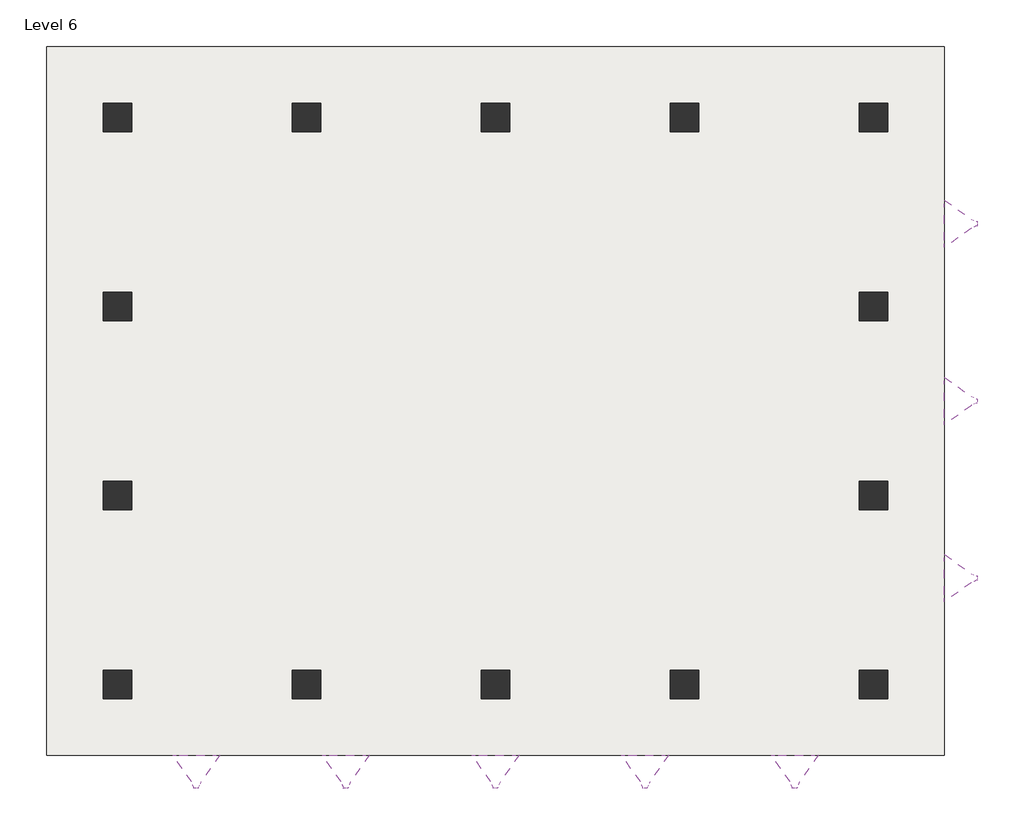
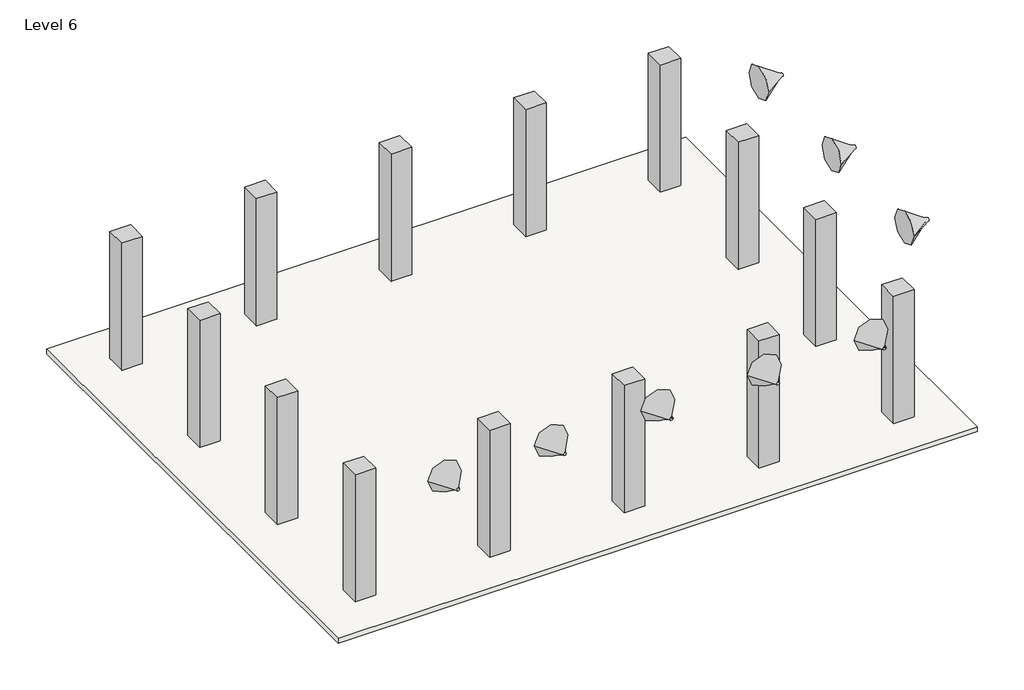
# One storey: 14 columns, 8 proxies, 1 slab.
"""IFC4 building model written with IfcOpenShell, lengths in millimetres."""

import ifcopenshell
import ifcopenshell.guid

model = None  # the IFC model being written
_history = None  # IfcOwnerHistory: only IFC2X3 demands one
_inside = {}  # id of a spatial element -> (the spatial element, [elements in it])
_under = {}  # id of a project, library or spatial element -> (it, [spatial elements below it])
_declared = {}  # id of a project -> (the project, [libraries it declares])
_typed = {}  # id of a type object -> (the type object, [elements of that type])
_made_of = {}  # id of a material, layer set ... -> (it, [elements and type objects made of it])


def new_model(schema):
    """Start an empty IFC model of exactly this schema.

    Asked for "IFC4X3", IfcOpenShell would pick the latest addendum, in which some entities
    have other attributes; the version numbers below select the first issue.
    IFC2X3 requires an IfcOwnerHistory on every rooted entity: one is made here for all.
    """
    global model, _history
    if schema == "IFC4X3":
        model = ifcopenshell.file(schema_version=(4, 3, 0, 0))
    else:
        model = ifcopenshell.file(schema=schema)
    _inside.clear()
    _under.clear()
    _declared.clear()
    _typed.clear()
    _made_of.clear()
    _history = None
    if model.schema == "IFC2X3":
        org = make("IfcOrganization", Name="unknown")
        user = make(
            "IfcPersonAndOrganization",
            ThePerson=make("IfcPerson", FamilyName="unknown"),
            TheOrganization=org,
        )
        app = make(
            "IfcApplication",
            ApplicationDeveloper=org,
            Version="unknown",
            ApplicationFullName="unknown",
            ApplicationIdentifier="unknown",
        )
        _history = make(
            "IfcOwnerHistory",
            OwningUser=user,
            OwningApplication=app,
            ChangeAction="ADDED",
            CreationDate=0,
        )
    return model


def make(cls, **values):
    """One entity of the class cls with the attributes given. An attribute that is None is left unset."""
    return model.create_entity(
        cls, **{name: value for name, value in values.items() if value is not None}
    )


def rooted(cls, **values):
    """An entity with a GlobalId (a new one), such as an element, a storey or a relation."""
    return make(cls, GlobalId=ifcopenshell.guid.new(), OwnerHistory=_history, **values)


def si_unit(unit_type, name, prefix=None):
    """IfcSIUnit, for example si_unit("LENGTHUNIT", "METRE", prefix="MILLI")."""
    return make("IfcSIUnit", UnitType=unit_type, Prefix=prefix, Name=name)


def assignment(units):
    """IfcUnitAssignment: the units of a project."""
    return None if units is None else make("IfcUnitAssignment", Units=units)


def point(xyz):
    """IfcCartesianPoint."""
    return None if xyz is None else make("IfcCartesianPoint", Coordinates=xyz)


def direction(xyz):
    """IfcDirection."""
    return None if xyz is None else make("IfcDirection", DirectionRatios=xyz)


def frame(location, z_axis=None, x_axis=None):
    """IfcAxis2Placement3D, a coordinate frame: its origin and axes. An axis left out is left unset."""
    return make(
        "IfcAxis2Placement3D",
        Location=point(location),
        Axis=direction(z_axis),
        RefDirection=direction(x_axis),
    )


def origin():
    """The frame at (0, 0, 0) with its axes left unset."""
    return frame((0.0, 0.0, 0.0))


def origin_with_axes():
    """The frame at (0, 0, 0) with the z axis (0, 0, 1) and the x axis (1, 0, 0) written out."""
    return frame((0.0, 0.0, 0.0), z_axis=(0.0, 0.0, 1.0), x_axis=(1.0, 0.0, 0.0))


def place(relative_to, where):
    """IfcLocalPlacement: puts the frame where relative to a parent placement (None: the world)."""
    return make(
        "IfcLocalPlacement", PlacementRelTo=relative_to, RelativePlacement=where
    )


def context(
    kind, dimensions, precision=None, world=None, true_north=None, identifier=None
):
    """IfcGeometricRepresentationContext, for example the 3D "Model" context."""
    return make(
        "IfcGeometricRepresentationContext",
        ContextIdentifier=identifier,
        ContextType=kind,
        CoordinateSpaceDimension=dimensions,
        Precision=precision,
        WorldCoordinateSystem=world,
        TrueNorth=true_north,
    )


def project(units=None, contexts=None):
    """IfcProject with its units and contexts."""
    return rooted(
        "IfcProject",
        Name="project",
        RepresentationContexts=contexts,
        UnitsInContext=assignment(units),
    )


def spatial(cls, under=None, at=None, **own):
    """A site, building, storey or space (cls), placed at a placement, below another one or the project."""
    s = rooted(cls, ObjectPlacement=at, **own)
    if under is not None:
        _under.setdefault(under.id(), (under, []))[1].append(s)
    return s


def polyline(points):
    """IfcPolyline through the points."""
    return make("IfcPolyline", Points=[point(p) for p in points])


def circle_curve(where, radius):
    """IfcCircle in the frame where."""
    return make("IfcCircle", Position=where, Radius=radius)


def outline(outer, holes=None, kind="AREA"):
    """IfcArbitraryClosedProfileDef: a profile drawn as a closed curve; with holes, ...WithVoids."""
    if holes is None:
        return make("IfcArbitraryClosedProfileDef", ProfileType=kind, OuterCurve=outer)
    return make(
        "IfcArbitraryProfileDefWithVoids",
        ProfileType=kind,
        OuterCurve=outer,
        InnerCurves=holes,
    )


def extrude(swept, where, along, depth):
    """IfcExtrudedAreaSolid: the profile swept, set in the frame where, extruded along a direction by depth."""
    return make(
        "IfcExtrudedAreaSolid",
        SweptArea=swept,
        Position=where,
        ExtrudedDirection=direction(along),
        Depth=depth,
    )


def shape(context_of_items, identifier, shape_type, items):
    """IfcShapeRepresentation: the items that make up one representation, for example the "Body"."""
    return make(
        "IfcShapeRepresentation",
        ContextOfItems=context_of_items,
        RepresentationIdentifier=identifier,
        RepresentationType=shape_type,
        Items=items,
    )


def source(mapping_origin, context_of_items, identifier, shape_type, items):
    """IfcRepresentationMap: a shape defined once, which mapped items show again and again."""
    return make(
        "IfcRepresentationMap",
        MappingOrigin=mapping_origin,
        MappedRepresentation=shape(context_of_items, identifier, shape_type, items),
    )


def transform(
    local_origin,
    x_axis=None,
    y_axis=None,
    z_axis=None,
    scale=None,
    scale2=None,
    scale3=None,
    uniform=True,
):
    """IfcCartesianTransformationOperator3D, or its non-uniform kind. x_axis, y_axis, z_axis: its Axis1, 2, 3."""
    if uniform:
        return make(
            "IfcCartesianTransformationOperator3D",
            Axis1=direction(x_axis),
            Axis2=direction(y_axis),
            LocalOrigin=point(local_origin),
            Scale=scale,
            Axis3=direction(z_axis),
        )
    return make(
        "IfcCartesianTransformationOperator3DnonUniform",
        Axis1=direction(x_axis),
        Axis2=direction(y_axis),
        LocalOrigin=point(local_origin),
        Scale=scale,
        Axis3=direction(z_axis),
        Scale2=scale2,
        Scale3=scale3,
    )


def mapped(mapping_source, mapping_target):
    """IfcMappedItem: shows the shape of a source again, moved by a transform."""
    return make(
        "IfcMappedItem", MappingSource=mapping_source, MappingTarget=mapping_target
    )


def made_of(thing, what):
    """Note that an element or type object is made of a material, layer set ...; save() writes the relation."""
    if what is not None:
        _made_of.setdefault(what.id(), (what, []))[1].append(thing)
    return thing


def element(
    cls,
    number,
    at=None,
    inside=None,
    cuts=None,
    type_object=None,
    material=None,
    context=None,
    identifier="Body",
    shape_type=None,
    held_by="IfcProductDefinitionShape",
    body=None,
    shapes=None,
    **own,
):
    """One element of the class cls, such as IfcWall. Its Tag is "e" and its number.

    at: its placement. inside: the storey or other place that contains it. cuts: it is an
    opening in that element (IfcRelVoidsElement). A single representation is given by context,
    identifier, shape_type and body (its items); several are given by shapes. held_by: the class
    of the entity that holds the representations. save() writes the other relations.
    """
    e = rooted(cls, Tag="e%d" % number, ObjectPlacement=at, **own)
    if body is not None:
        shapes = [shape(context, identifier, shape_type, body)]
    if shapes is not None:
        e.Representation = make(held_by, Representations=shapes)
    if inside is not None:
        _inside.setdefault(inside.id(), (inside, []))[1].append(e)
    if cuts is not None:
        rooted(
            "IfcRelVoidsElement", RelatingBuildingElement=cuts, RelatedOpeningElement=e
        )
    if type_object is not None:
        _typed.setdefault(type_object.id(), (type_object, []))[1].append(e)
    return made_of(e, material)


def aggregate(whole, parts):
    """IfcRelAggregates: a whole, such as a stair, and the parts it consists of."""
    return rooted("IfcRelAggregates", RelatingObject=whole, RelatedObjects=parts)


def save(model, path):
    """Write the relations noted so far, then the file.

    IfcRelAggregates (storeys below a building ...), IfcRelContainedInSpatialStructure (elements
    in a storey), IfcRelDefinesByType, IfcRelAssociatesMaterial and IfcRelDeclares: one each for
    every whole, place, type object, material and project.
    """
    for whole, parts in _under.values():
        aggregate(whole, parts)
    for where, things in _inside.values():
        rooted(
            "IfcRelContainedInSpatialStructure",
            RelatedElements=things,
            RelatingStructure=where,
        )
    for kind, things in _typed.values():
        rooted("IfcRelDefinesByType", RelatedObjects=things, RelatingType=kind)
    for what, things in _made_of.values():
        rooted("IfcRelAssociatesMaterial", RelatedObjects=things, RelatingMaterial=what)
    for by, libraries in _declared.values():
        rooted("IfcRelDeclares", RelatingContext=by, RelatedDefinitions=libraries)
    model.write(path)


def plane_surface(at):
    """IfcPlane: the flat surface through the origin of the frame at, square to its z axis."""
    return make("IfcPlane", Position=at)


def spline_surface(u_degree, v_degree, points, u_multiplicities, v_multiplicities, u_knots, v_knots, weights=None):
    """IfcBSplineSurfaceWithKnots; with weights, IfcRationalBSplineSurfaceWithKnots. points: one row for each step in u."""
    own = dict(
        UDegree=u_degree,
        VDegree=v_degree,
        ControlPointsList=[[point(p) for p in row] for row in points],
        SurfaceForm="UNSPECIFIED",
        UClosed=False,
        VClosed=False,
        SelfIntersect=False,
        UMultiplicities=u_multiplicities,
        VMultiplicities=v_multiplicities,
        UKnots=u_knots,
        VKnots=v_knots,
        KnotSpec="UNSPECIFIED",
    )
    if weights is None:
        return make("IfcBSplineSurfaceWithKnots", **own)
    return make("IfcRationalBSplineSurfaceWithKnots", WeightsData=weights, **own)


def advanced_brep(points, edges, surfaces, faces):
    """IfcAdvancedBrep: a solid bounded by faces that lie on surfaces and meet in shared edges.

    An edge is (start, end): straight between two places in points (the first is 0);
    or (start, end, curve); or (start, end, curve, False) where it runs against its curve.
    A face is (place in surfaces, loops), or (place, loops, False) where it looks against
    its surface's normal. A loop lists edges by number (the first is 1), with a minus sign
    where the edge is run from its end to its start. The first loop is the outer one.
    """
    corners = [point(p) for p in points]
    vertices = [make("IfcVertexPoint", VertexGeometry=c) for c in corners]
    made = []
    for start, end, *more in edges:
        made.append(
            make(
                "IfcEdgeCurve",
                EdgeStart=vertices[start],
                EdgeEnd=vertices[end],
                EdgeGeometry=more[0] if more else make("IfcPolyline", Points=[corners[start], corners[end]]),
                SameSense=more[1] if len(more) > 1 else True,
            )
        )
    hull = []
    for where, loops, *sense in faces:
        bounds = []
        for j, loop in enumerate(loops):
            ring = [make("IfcOrientedEdge", EdgeElement=made[abs(k) - 1], Orientation=k > 0) for k in loop]
            bounds.append(
                make(
                    "IfcFaceOuterBound" if j == 0 else "IfcFaceBound",
                    Bound=make("IfcEdgeLoop", EdgeList=ring),
                    Orientation=True,
                )
            )
        hull.append(make("IfcAdvancedFace", Bounds=bounds, FaceSurface=surfaces[where], SameSense=sense[0] if sense else True))
    return make("IfcAdvancedBrep", Outer=make("IfcClosedShell", CfsFaces=hull))


def generic_models_e072c9cb(model_context):
    return source(origin(), model_context, "Body", "AdvancedBrep", [
        advanced_brep(
        [(-500.0, 0.0, 0.0), (500.0, 0.0, 0.0), (0.0, 50.0, 700.0), (0.0, -50.0, 700.0)],
        [
            (0, 1, circle_curve(origin_with_axes(), 500.0)),
            (1, 2),
            (2, 3, circle_curve(frame((0.0, 0.0, 700.0), z_axis=(0.0, 0.0, -1.0), x_axis=(0.0, 1.0, 0.0)), 50.0)),
            (3, 0),
            (1, 0, circle_curve(origin_with_axes(), 500.0)),
            (3, 2, circle_curve(frame((0.0, 0.0, 700.0), z_axis=(0.0, 0.0, -1.0), x_axis=(0.0, 1.0, 0.0)), 50.0)),
        ],
        [
            spline_surface(2, 1, [[(-500.0, 0.0, 0.0), (0.0, -50.0, 700.0)], [(-500.0, -500.0, 0.0), (50.0, -50.0, 700.0)], [(0.0, -500.0, 0.0), (50.0, 0.0, 700.0)], [(500.0, -500.0, 0.0), (50.0, 50.0, 700.0)], [(500.0, 0.0, 0.0), (0.0, 50.0, 700.0)]], [3, 2, 3], [2, 2], [0.0, 1.0, 2.0], [0.0, 1.0], weights=[[1.0, 1.0], [0.7071067811865476, 0.7071067811865476], [1.0, 1.0], [0.7071067811865476, 0.7071067811865476], [1.0, 1.0]]),
            spline_surface(2, 1, [[(500.0, 0.0, 0.0), (0.0, 50.0, 700.0)], [(500.0, 500.0, 0.0), (-50.0, 50.0, 700.0)], [(0.0, 500.0, 0.0), (-50.0, 0.0, 700.0)], [(-500.0, 500.0, 0.0), (-50.0, -50.0, 700.0)], [(-500.0, 0.0, 0.0), (0.0, -50.0, 700.0)]], [3, 2, 3], [2, 2], [0.0, 1.0, 2.0], [0.0, 1.0], weights=[[1.0, 1.0], [0.7071067811865476, 0.7071067811865476], [1.0, 1.0], [0.7071067811865476, 0.7071067811865476], [1.0, 1.0]]),
            plane_surface(frame((0.0, 0.0, 700.0), z_axis=(0.0, 0.0, 1.0), x_axis=(0.0, 1.0, 0.0))),
            plane_surface(frame((0.0, 0.0, 0.0), z_axis=(0.0, 0.0, -1.0), x_axis=(1.0, 0.0, 0.0))),
        ],
        [
            (0, [[1, 2, 3, 4]]),
            (1, [[5, -4, 6, -2]]),
            (2, [[-3, -6]]),
            (3, [[-5, -1]]),
        ],
    ),
    ])


def m_rectangular_column_610_x_610mm_759384c9(model_context):
    return source(origin(), model_context, "Body", "SweptSolid", [
        extrude(outline(polyline([(305.0, 305.0), (305.0, -305.0), (-305.0, -305.0), (-305.0, 305.0), (305.0, 305.0)])), frame((0.0, 0.0, 19997.5633081), z_axis=(0.0, 0.0, 1.0), x_axis=(1.0, 0.0, 0.0)), (0.0, 0.0, 1.0), 4000.0),
    ])


model = new_model("IFC4")

# Units and contexts
model_context = context("Model", 3, world=origin())
ifc_project = project(units=[si_unit("LENGTHUNIT", "METRE", prefix="MILLI")], contexts=[model_context])

# Site, building, storey
site = spatial("IfcSite", under=ifc_project)
building = spatial("IfcBuilding", under=site)
storey = spatial("IfcBuildingStorey", under=building, Name="Level 6", Elevation=19997.5633081)

# Proxies
placement = place(None, origin())
generic_models_shape = generic_models_e072c9cb(model_context)
element("IfcBuildingElementProxy", 1, Name="Generic Models", at=placement, inside=storey, context=model_context, shape_type="MappedRepresentation", body=[
    mapped(generic_models_shape, transform((-4398.860179, -9392.8664527, 24000.0), x_axis=(1.0, 0.0, 0.0), y_axis=(0.0, 0.0, 1.0), z_axis=(0.0, -1.0, 0.0))),
])
element("IfcBuildingElementProxy", 2, Name="Generic Models", at=placement, inside=storey, context=model_context, shape_type="MappedRepresentation", body=[
    mapped(generic_models_shape, transform((-1232.1935123, -9392.8664527, 24000.0), x_axis=(1.0, 0.0, 0.0), y_axis=(0.0, 0.0, 1.0), z_axis=(0.0, -1.0, 0.0))),
])
element("IfcBuildingElementProxy", 3, Name="Generic Models", at=placement, inside=storey, context=model_context, shape_type="MappedRepresentation", body=[
    mapped(generic_models_shape, transform((1934.4731543, -9392.8664527, 24000.0), x_axis=(1.0, 0.0, 0.0), y_axis=(0.0, 0.0, 1.0), z_axis=(0.0, -1.0, 0.0))),
])
element("IfcBuildingElementProxy", 4, Name="Generic Models", at=placement, inside=storey, context=model_context, shape_type="MappedRepresentation", body=[
    mapped(generic_models_shape, transform((5101.139821, -9392.8664527, 24000.0), x_axis=(1.0, 0.0, 0.0), y_axis=(0.0, 0.0, 1.0), z_axis=(0.0, -1.0, 0.0))),
])
element("IfcBuildingElementProxy", 5, Name="Generic Models", at=placement, inside=storey, context=model_context, shape_type="MappedRepresentation", body=[
    mapped(generic_models_shape, transform((8267.8064877, -9392.8664527, 24000.0), x_axis=(1.0, 0.0, 0.0), y_axis=(0.0, 0.0, 1.0), z_axis=(0.0, -1.0, 0.0))),
])
element("IfcBuildingElementProxy", 6, Name="Generic Models", at=placement, inside=storey, context=model_context, shape_type="MappedRepresentation", body=[
    mapped(generic_models_shape, transform((11434.4731543, -1892.8664527, 24000.0), x_axis=(0.0, 1.0, 0.0), y_axis=(0.0, 0.0, 1.0), z_axis=(1.0, 0.0, 0.0))),
])
element("IfcBuildingElementProxy", 7, Name="Generic Models", at=placement, inside=storey, context=model_context, shape_type="MappedRepresentation", body=[
    mapped(generic_models_shape, transform((11434.4731543, 1857.1335473, 24000.0), x_axis=(0.0, 1.0, 0.0), y_axis=(0.0, 0.0, 1.0), z_axis=(1.0, 0.0, 0.0))),
])
element("IfcBuildingElementProxy", 8, Name="Generic Models", at=placement, inside=storey, context=model_context, shape_type="MappedRepresentation", body=[
    mapped(generic_models_shape, transform((11434.4731543, -5642.8664527, 24000.0), x_axis=(0.0, 1.0, 0.0), y_axis=(0.0, 0.0, 1.0), z_axis=(1.0, 0.0, 0.0))),
])

# Columns
m_rectangular_column_610_x_610mm_shape = m_rectangular_column_610_x_610mm_759384c9(model_context)
element("IfcColumn", 9, ObjectType="M_Rectangular Column : 610 x 610mm", at=placement, inside=storey, context=model_context, shape_type="MappedRepresentation", body=[
    mapped(m_rectangular_column_610_x_610mm_shape, transform((-6065.5268457, 4107.1335473, 0.0), x_axis=(1.0, 0.0, 0.0), y_axis=(0.0, 1.0, 0.0), z_axis=(0.0, 0.0, 1.0))),
])
element("IfcColumn", 10, ObjectType="M_Rectangular Column : 610 x 610mm", at=placement, inside=storey, context=model_context, shape_type="MappedRepresentation", body=[
    mapped(m_rectangular_column_610_x_610mm_shape, transform((-2065.5268457, 4107.1335473, 0.0), x_axis=(1.0, 0.0, 0.0), y_axis=(0.0, 1.0, 0.0), z_axis=(0.0, 0.0, 1.0))),
])
element("IfcColumn", 11, ObjectType="M_Rectangular Column : 610 x 610mm", at=placement, inside=storey, context=model_context, shape_type="MappedRepresentation", body=[
    mapped(m_rectangular_column_610_x_610mm_shape, transform((1934.4731543, 4107.1335473, 0.0), x_axis=(1.0, 0.0, 0.0), y_axis=(0.0, 1.0, 0.0), z_axis=(0.0, 0.0, 1.0))),
])
element("IfcColumn", 12, ObjectType="M_Rectangular Column : 610 x 610mm", at=placement, inside=storey, context=model_context, shape_type="MappedRepresentation", body=[
    mapped(m_rectangular_column_610_x_610mm_shape, transform((5934.4731543, 4107.1335473, 0.0), x_axis=(1.0, 0.0, 0.0), y_axis=(0.0, 1.0, 0.0), z_axis=(0.0, 0.0, 1.0))),
])
element("IfcColumn", 13, ObjectType="M_Rectangular Column : 610 x 610mm", at=placement, inside=storey, context=model_context, shape_type="MappedRepresentation", body=[
    mapped(m_rectangular_column_610_x_610mm_shape, transform((9934.4731543, 4107.1335473, 0.0), x_axis=(1.0, 0.0, 0.0), y_axis=(0.0, 1.0, 0.0), z_axis=(0.0, 0.0, 1.0))),
])
element("IfcColumn", 14, ObjectType="M_Rectangular Column : 610 x 610mm", at=placement, inside=storey, context=model_context, shape_type="MappedRepresentation", body=[
    mapped(m_rectangular_column_610_x_610mm_shape, transform((9934.4731543, 107.1335473, 0.0), x_axis=(1.0, 0.0, 0.0), y_axis=(0.0, 1.0, 0.0), z_axis=(0.0, 0.0, 1.0))),
])
element("IfcColumn", 15, ObjectType="M_Rectangular Column : 610 x 610mm", at=placement, inside=storey, context=model_context, shape_type="MappedRepresentation", body=[
    mapped(m_rectangular_column_610_x_610mm_shape, transform((9934.4731543, -3892.8664527, 0.0), x_axis=(1.0, 0.0, 0.0), y_axis=(0.0, 1.0, 0.0), z_axis=(0.0, 0.0, 1.0))),
])
element("IfcColumn", 16, ObjectType="M_Rectangular Column : 610 x 610mm", at=placement, inside=storey, context=model_context, shape_type="MappedRepresentation", body=[
    mapped(m_rectangular_column_610_x_610mm_shape, transform((9934.4731543, -7892.8664527, 0.0), x_axis=(1.0, 0.0, 0.0), y_axis=(0.0, 1.0, 0.0), z_axis=(0.0, 0.0, 1.0))),
])
element("IfcColumn", 17, ObjectType="M_Rectangular Column : 610 x 610mm", at=placement, inside=storey, context=model_context, shape_type="MappedRepresentation", body=[
    mapped(m_rectangular_column_610_x_610mm_shape, transform((5934.4731543, -7892.8664527, 0.0), x_axis=(1.0, 0.0, 0.0), y_axis=(0.0, 1.0, 0.0), z_axis=(0.0, 0.0, 1.0))),
])
element("IfcColumn", 18, ObjectType="M_Rectangular Column : 610 x 610mm", at=placement, inside=storey, context=model_context, shape_type="MappedRepresentation", body=[
    mapped(m_rectangular_column_610_x_610mm_shape, transform((1934.4731543, -7892.8664527, 0.0), x_axis=(1.0, 0.0, 0.0), y_axis=(0.0, 1.0, 0.0), z_axis=(0.0, 0.0, 1.0))),
])
element("IfcColumn", 19, ObjectType="M_Rectangular Column : 610 x 610mm", at=placement, inside=storey, context=model_context, shape_type="MappedRepresentation", body=[
    mapped(m_rectangular_column_610_x_610mm_shape, transform((-2065.5268457, -7892.8664527, 0.0), x_axis=(1.0, 0.0, 0.0), y_axis=(0.0, 1.0, 0.0), z_axis=(0.0, 0.0, 1.0))),
])
element("IfcColumn", 20, ObjectType="M_Rectangular Column : 610 x 610mm", at=placement, inside=storey, context=model_context, shape_type="MappedRepresentation", body=[
    mapped(m_rectangular_column_610_x_610mm_shape, transform((-6065.5268457, -7892.8664527, 0.0), x_axis=(1.0, 0.0, 0.0), y_axis=(0.0, 1.0, 0.0), z_axis=(0.0, 0.0, 1.0))),
])
element("IfcColumn", 21, ObjectType="M_Rectangular Column : 610 x 610mm", at=placement, inside=storey, context=model_context, shape_type="MappedRepresentation", body=[
    mapped(m_rectangular_column_610_x_610mm_shape, transform((-6065.5268457, -3892.8664527, 0.0), x_axis=(1.0, 0.0, 0.0), y_axis=(0.0, 1.0, 0.0), z_axis=(0.0, 0.0, 1.0))),
])
element("IfcColumn", 22, ObjectType="M_Rectangular Column : 610 x 610mm", at=placement, inside=storey, context=model_context, shape_type="MappedRepresentation", body=[
    mapped(m_rectangular_column_610_x_610mm_shape, transform((-6065.5268457, 107.1335473, 0.0), x_axis=(1.0, 0.0, 0.0), y_axis=(0.0, 1.0, 0.0), z_axis=(0.0, 0.0, 1.0))),
])

# Slab
element("IfcSlab", 23, ObjectType="Generic 150mm", at=placement, inside=storey, context=model_context, shape_type="SweptSolid", body=[
    extrude(outline(polyline([(11434.4731543, 5607.1335473), (11434.4731543, -9392.8664527), (-7565.5268457, -9392.8664527), (-7565.5268457, 5607.1335473), (11434.4731543, 5607.1335473)])), frame((0.0, 0.0, 19847.5633081), z_axis=(0.0, 0.0, 1.0), x_axis=(1.0, 0.0, 0.0)), (0.0, 0.0, 1.0), 150.0),
])

save(model, "model.ifc")
